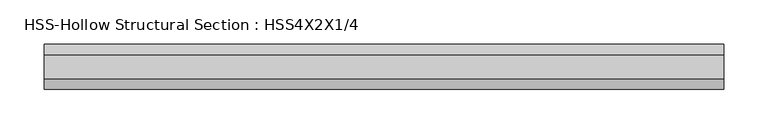
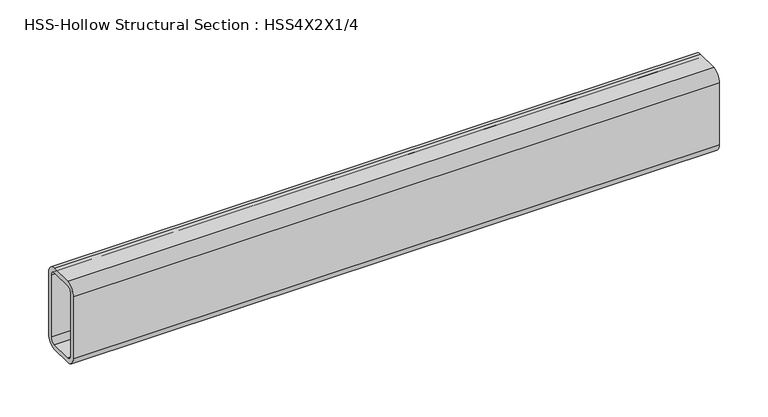
"""IFC4 building model written with IfcOpenShell, lengths in millimetres: beam geometry, HSS-Hollow Structural Section : HSS4X2X1/4."""

from ifc_helpers import new_model, si_unit, point, frame, frame_2d, origin, place, context, project, spatial, polyline, circle_curve, trimmed, segment, composite_curve, outline, extrude, source, transform, mapped, element, save


def hss_hollow_structural_section_hss4x2x1_4_93af2cde(model_context):
    return source(origin(), model_context, "Body", "SweptSolid", [
        extrude(outline(composite_curve([segment(polyline([(25.4, 38.9636), (25.4, -38.9636)]), True, "CONTINUOUS"), segment(trimmed(circle_curve(frame_2d((13.5636, -38.9636)), 11.8364), [point((25.4, -38.9636))], [point((13.5636, -50.8))], False, "CARTESIAN"), True, "CONTINUOUS"), segment(polyline([(13.5636, -50.8), (-13.5636, -50.8)]), True, "CONTINUOUS"), segment(trimmed(circle_curve(frame_2d((-13.5636, -38.9636)), 11.8364), [point((-13.5636, -50.8))], [point((-25.4, -38.9636))], False, "CARTESIAN"), True, "CONTINUOUS"), segment(polyline([(-25.4, -38.9636), (-25.4, 38.9636)]), True, "CONTINUOUS"), segment(trimmed(circle_curve(frame_2d((-13.5636, 38.9636)), 11.8364), [point((-25.4, 38.9636))], [point((-13.5636, 50.8))], False, "CARTESIAN"), True, "CONTINUOUS"), segment(polyline([(-13.5636, 50.8), (13.5636, 50.8)]), True, "CONTINUOUS"), segment(trimmed(circle_curve(frame_2d((13.5636, 38.9636)), 11.8364), [point((13.5636, 50.8))], [point((25.4, 38.9636))], False, "CARTESIAN"), True, "CONTINUOUS")], self_intersect=False), holes=[composite_curve([segment(trimmed(circle_curve(frame_2d((-13.5636, 38.9636)), 5.9182), [point((-13.5636, 44.8818))], [point((-19.4818, 38.9636))], True, "CARTESIAN"), True, "CONTINUOUS"), segment(polyline([(-19.4818, 38.9636), (-19.4818, -38.9636)]), True, "CONTINUOUS"), segment(trimmed(circle_curve(frame_2d((-13.5636, -38.9636)), 5.9182), [point((-19.4818, -38.9636))], [point((-13.5636, -44.8818))], True, "CARTESIAN"), True, "CONTINUOUS"), segment(polyline([(-13.5636, -44.8818), (13.5636, -44.8818)]), True, "CONTINUOUS"), segment(trimmed(circle_curve(frame_2d((13.5636, -38.9636)), 5.9182), [point((13.5636, -44.8818))], [point((19.4818, -38.9636))], True, "CARTESIAN"), True, "CONTINUOUS"), segment(polyline([(19.4818, -38.9636), (19.4818, 38.9636)]), True, "CONTINUOUS"), segment(trimmed(circle_curve(frame_2d((13.5636, 38.9636)), 5.9182), [point((19.4818, 38.9636))], [point((13.5636, 44.8818))], True, "CARTESIAN"), True, "CONTINUOUS"), segment(polyline([(13.5636, 44.8818), (-13.5636, 44.8818)]), True, "CONTINUOUS")], self_intersect=False)]), frame((-370.6765356, 0.0, 0.0), z_axis=(1.0, 0.0, 0.0), x_axis=(0.0, 1.0, 0.0)), (0.0, 0.0, 1.0), 766.7530711),
    ])


if __name__ == "__main__":
    model = new_model("IFC4")
    model_context = context("Model", 3, world=origin())
    ifc_project = project(units=[si_unit("LENGTHUNIT", "METRE", prefix="MILLI")], contexts=[model_context])
    site = spatial("IfcSite", under=ifc_project)
    building = spatial("IfcBuilding", under=site)
    placement = place(None, origin())
    hss_hollow_structural_section_hss4x2x1_4_shape = hss_hollow_structural_section_hss4x2x1_4_93af2cde(model_context)
    element("IfcBeam", 1, ObjectType="HSS-Hollow Structural Section : HSS4X2X1/4", at=placement, inside=building, context=model_context, shape_type="MappedRepresentation", body=[
        mapped(hss_hollow_structural_section_hss4x2x1_4_shape, transform((0.0, 0.0, 0.0), x_axis=(1.0, 0.0, 0.0), y_axis=(0.0, 1.0, 0.0), z_axis=(0.0, 0.0, 1.0))),
    ])
    save(model, "model.ifc")
